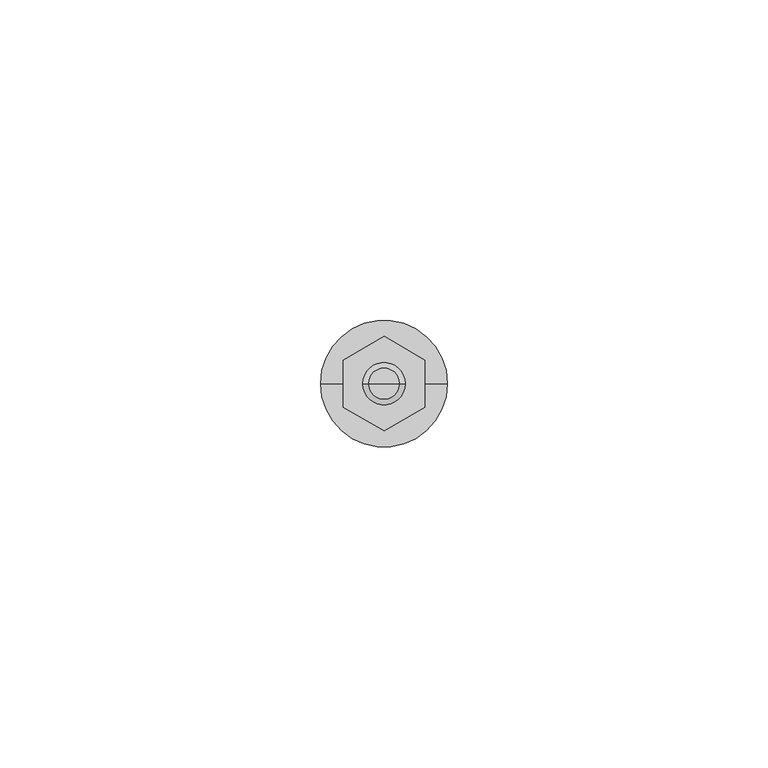
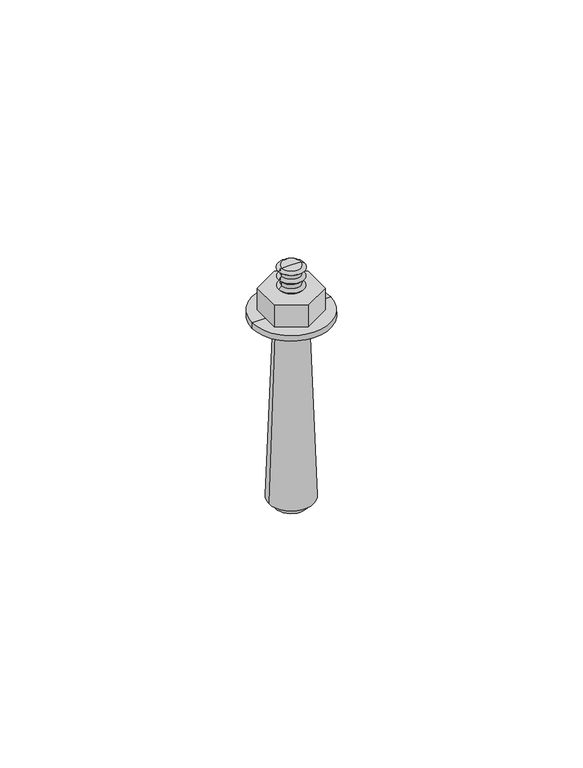
"""IFC4 building model written with IfcOpenShell, lengths in millimetres: proxy geometry."""

from ifc_helpers import new_model, si_unit, frame, origin, place, context, project, spatial, polyline, circle_curve, outline, extrude, source, transform, mapped, element, save
from ifc_brep_helpers import plane_surface, cylinder_surface, revolved_surface, advanced_brep


def generic_models_3a408e28(model_context):
    return source(origin(), model_context, "Body", "SolidModel", [
        extrude(outline(polyline([(-6.3865023, 3.6872488), (0.0, 7.3744977), (6.3865023, 3.6872488), (6.3865023, -3.6872488), (0.0, -7.3744977), (-6.3865023, -3.6872488), (-6.3865023, 3.6872488)])), frame((0.0, 0.0, 1.4240948), z_axis=(0.0, 0.0, 1.0), x_axis=(1.0, 0.0, 0.0)), (0.0, 0.0, 1.0), 5.7678376),
        advanced_brep(
        [(-4.0, 0.0, -50.0), (4.0, 0.0, -50.0), (0.0, 0.0, -50.0), (-4.0, 0.0, -48.1383526), (4.0, 0.0, -48.1383526), (-5.6487243, 0.0, -48.1383526), (5.6487243, 0.0, -48.1383526), (-3.9676959, 0.0, 0.0), (3.9676959, 0.0, 0.0), (-9.8929481, 0.0, 0.0), (9.8929481, 0.0, 0.0), (-9.8929481, 0.0, 1.4240948), (9.8929481, 0.0, 1.4240948), (0.0, 0.0, 1.4240948)],
        [
            (0, 1, circle_curve(frame((0.0, 0.0, -50.0), z_axis=(0.0, 0.0, -1.0), x_axis=(1.0, 0.0, 0.0)), 4.0)),
            (1, 2),
            (2, 0),
            (1, 0, circle_curve(frame((0.0, 0.0, -50.0), z_axis=(0.0, 0.0, -1.0), x_axis=(1.0, 0.0, 0.0)), 4.0)),
            (3, 4, circle_curve(frame((0.0, 0.0, -48.1383526), z_axis=(0.0, 0.0, -1.0), x_axis=(1.0, 0.0, 0.0)), 4.0)),
            (4, 1),
            (0, 3),
            (4, 3, circle_curve(frame((0.0, 0.0, -48.1383526), z_axis=(0.0, 0.0, -1.0), x_axis=(1.0, 0.0, 0.0)), 4.0)),
            (5, 6, circle_curve(frame((0.0, 0.0, -48.1383526), z_axis=(0.0, 0.0, -1.0), x_axis=(1.0, 0.0, 0.0)), 5.6487243)),
            (6, 4),
            (3, 5),
            (6, 5, circle_curve(frame((0.0, 0.0, -48.1383526), z_axis=(0.0, 0.0, -1.0), x_axis=(1.0, 0.0, 0.0)), 5.6487243)),
            (7, 8, circle_curve(frame((0.0, 0.0, 0.0), z_axis=(0.0, 0.0, -1.0), x_axis=(1.0, 0.0, 0.0)), 3.9676959)),
            (8, 6),
            (5, 7),
            (8, 7, circle_curve(frame((0.0, 0.0, 0.0), z_axis=(0.0, 0.0, -1.0), x_axis=(1.0, 0.0, 0.0)), 3.9676959)),
            (9, 10, circle_curve(frame((0.0, 0.0, 0.0), z_axis=(0.0, 0.0, -1.0), x_axis=(1.0, 0.0, 0.0)), 9.8929481)),
            (10, 8),
            (7, 9),
            (10, 9, circle_curve(frame((0.0, 0.0, 0.0), z_axis=(0.0, 0.0, -1.0), x_axis=(1.0, 0.0, 0.0)), 9.8929481)),
            (11, 12, circle_curve(frame((0.0, 0.0, 1.4240948), z_axis=(0.0, 0.0, -1.0), x_axis=(1.0, 0.0, 0.0)), 9.8929481)),
            (12, 10),
            (9, 11),
            (12, 11, circle_curve(frame((0.0, 0.0, 1.4240948), z_axis=(0.0, 0.0, -1.0), x_axis=(1.0, 0.0, 0.0)), 9.8929481)),
            (13, 12),
            (11, 13),
        ],
        [
            plane_surface(frame((0.0, 0.0, -50.0), z_axis=(0.0, 0.0, -1.0), x_axis=(1.0, 0.0, 0.0))),
            cylinder_surface(frame((0.0, 0.0, 15.3221183), z_axis=(0.0, 0.0, 1.0), x_axis=(1.0, 0.0, 0.0)), 4.0),
            plane_surface(frame((0.0, 0.0, -48.1383526), z_axis=(0.0, 0.0, -1.0), x_axis=(1.0, 0.0, 0.0))),
            revolved_surface(polyline([(5.6487243, 0.0, -48.1383526), (3.9676959, 0.0, 0.0)]), (0.0, 0.0, 15.3221183), (0.0, 0.0, 1.0)),
            plane_surface(frame((0.0, 0.0, 0.0), z_axis=(0.0, 0.0, -1.0), x_axis=(1.0, 0.0, 0.0))),
            cylinder_surface(frame((0.0, 0.0, 15.3221183), z_axis=(0.0, 0.0, 1.0), x_axis=(1.0, 0.0, 0.0)), 9.8929481),
            plane_surface(frame((0.0, 0.0, 1.4240948), z_axis=(0.0, 0.0, 1.0), x_axis=(1.0, 0.0, 0.0))),
        ],
        [
            (0, [[1, 2, 3]]),
            (0, [[4, -3, -2]]),
            (1, [[5, 6, -1, 7]]),
            (1, [[8, -7, -4, -6]]),
            (2, [[9, 10, -5, 11]]),
            (2, [[12, -11, -8, -10]]),
            (3, [[13, 14, -9, 15]]),
            (3, [[16, -15, -12, -14]]),
            (4, [[17, 18, -13, 19]]),
            (4, [[20, -19, -16, -18]]),
            (5, [[21, 22, -17, 23]]),
            (5, [[24, -23, -20, -22]]),
            (6, [[25, -21, 26]]),
            (6, [[-26, -24, -25]]),
        ],
    ),
        advanced_brep(
        [(-3.1619111, 0.0, 8.0346294), (3.1619111, 0.0, 8.0346294), (2.4548043, 0.0, 7.1919324), (-2.4548043, 0.0, 7.1919324), (-2.4548043, 0.0, 8.7417362), (2.4548043, 0.0, 8.7417362), (-2.4548043, 0.0, 9.8078637), (2.4548043, 0.0, 9.8078637), (-3.1619111, 0.0, 10.5149705), (3.1619111, 0.0, 10.5149705), (-2.4548043, 0.0, 11.2220773), (2.4548043, 0.0, 11.2220773), (-2.4548043, 0.0, 12.2220773), (2.4548043, 0.0, 12.2220773), (-3.2838419, 0.0, 12.8391344), (3.2838419, 0.0, 12.8391344), (-2.4548043, 0.0, 13.3983273), (2.4548043, 0.0, 13.3983273), (0.0, 0.0, 13.3983273), (0.0, 0.0, 7.1919324)],
        [
            (0, 1, circle_curve(frame((0.0, 0.0, 8.0346294), z_axis=(0.0, 0.0, -1.0), x_axis=(1.0, 0.0, 0.0)), 3.1619111)),
            (1, 2),
            (2, 3, circle_curve(frame((0.0, 0.0, 7.1919324), z_axis=(0.0, 0.0, 1.0), x_axis=(1.0, 0.0, 0.0)), 2.4548043)),
            (3, 0),
            (1, 0, circle_curve(frame((0.0, 0.0, 8.0346294), z_axis=(0.0, 0.0, -1.0), x_axis=(1.0, 0.0, 0.0)), 3.1619111)),
            (3, 2, circle_curve(frame((0.0, 0.0, 7.1919324), z_axis=(0.0, 0.0, 1.0), x_axis=(1.0, 0.0, 0.0)), 2.4548043)),
            (4, 5, circle_curve(frame((0.0, 0.0, 8.7417362), z_axis=(0.0, 0.0, -1.0), x_axis=(1.0, 0.0, 0.0)), 2.4548043)),
            (5, 1),
            (0, 4),
            (5, 4, circle_curve(frame((0.0, 0.0, 8.7417362), z_axis=(0.0, 0.0, -1.0), x_axis=(1.0, 0.0, 0.0)), 2.4548043)),
            (6, 7, circle_curve(frame((0.0, 0.0, 9.8078637), z_axis=(0.0, 0.0, -1.0), x_axis=(1.0, 0.0, 0.0)), 2.4548043)),
            (7, 5),
            (4, 6),
            (7, 6, circle_curve(frame((0.0, 0.0, 9.8078637), z_axis=(0.0, 0.0, -1.0), x_axis=(1.0, 0.0, 0.0)), 2.4548043)),
            (8, 9, circle_curve(frame((0.0, 0.0, 10.5149705), z_axis=(0.0, 0.0, -1.0), x_axis=(1.0, 0.0, 0.0)), 3.1619111)),
            (9, 7),
            (6, 8),
            (9, 8, circle_curve(frame((0.0, 0.0, 10.5149705), z_axis=(0.0, 0.0, -1.0), x_axis=(1.0, 0.0, 0.0)), 3.1619111)),
            (10, 11, circle_curve(frame((0.0, 0.0, 11.2220773), z_axis=(0.0, 0.0, -1.0), x_axis=(1.0, 0.0, 0.0)), 2.4548043)),
            (11, 9),
            (8, 10),
            (11, 10, circle_curve(frame((0.0, 0.0, 11.2220773), z_axis=(0.0, 0.0, -1.0), x_axis=(1.0, 0.0, 0.0)), 2.4548043)),
            (12, 13, circle_curve(frame((0.0, 0.0, 12.2220773), z_axis=(0.0, 0.0, -1.0), x_axis=(1.0, 0.0, 0.0)), 2.4548043)),
            (13, 11),
            (10, 12),
            (13, 12, circle_curve(frame((0.0, 0.0, 12.2220773), z_axis=(0.0, 0.0, -1.0), x_axis=(1.0, 0.0, 0.0)), 2.4548043)),
            (14, 15, circle_curve(frame((0.0, 0.0, 12.8391344), z_axis=(0.0, 0.0, -1.0), x_axis=(1.0, 0.0, 0.0)), 3.2838419)),
            (15, 13),
            (12, 14),
            (15, 14, circle_curve(frame((0.0, 0.0, 12.8391344), z_axis=(0.0, 0.0, -1.0), x_axis=(1.0, 0.0, 0.0)), 3.2838419)),
            (16, 17, circle_curve(frame((0.0, 0.0, 13.3983273), z_axis=(0.0, 0.0, -1.0), x_axis=(1.0, 0.0, 0.0)), 2.4548043)),
            (17, 15),
            (14, 16),
            (17, 16, circle_curve(frame((0.0, 0.0, 13.3983273), z_axis=(0.0, 0.0, -1.0), x_axis=(1.0, 0.0, 0.0)), 2.4548043)),
            (18, 17),
            (16, 18),
            (2, 19),
            (19, 3),
        ],
        [
            revolved_surface(polyline([(2.4548043, 0.0, 7.1919324), (3.1619111, 0.0, 8.0346294)]), (0.0, 0.0, 15.3221183), (0.0, 0.0, 1.0)),
            revolved_surface(polyline([(3.1619111, 0.0, 8.0346294), (2.4548043, 0.0, 8.7417362)]), (0.0, 0.0, 15.3221183), (0.0, 0.0, 1.0)),
            cylinder_surface(frame((0.0, 0.0, 15.3221183), z_axis=(0.0, 0.0, 1.0), x_axis=(1.0, 0.0, 0.0)), 2.4548043),
            revolved_surface(polyline([(2.4548043, 0.0, 9.8078637), (3.1619111, 0.0, 10.5149705)]), (0.0, 0.0, 15.3221183), (0.0, 0.0, 1.0)),
            revolved_surface(polyline([(3.1619111, 0.0, 10.5149705), (2.4548043, 0.0, 11.2220773)]), (0.0, 0.0, 15.3221183), (0.0, 0.0, 1.0)),
            revolved_surface(polyline([(2.4548043, 0.0, 12.2220773), (3.2838419, 0.0, 12.8391344)]), (0.0, 0.0, 15.3221183), (0.0, 0.0, 1.0)),
            revolved_surface(polyline([(3.2838419, 0.0, 12.8391344), (2.4548043, 0.0, 13.3983273)]), (0.0, 0.0, 15.3221183), (0.0, 0.0, 1.0)),
            plane_surface(frame((0.0, 0.0, 13.3983273), z_axis=(0.0, 0.0, 1.0), x_axis=(1.0, 0.0, 0.0))),
            plane_surface(frame((0.0, 0.0, 7.1919324), z_axis=(0.0, 0.0, -1.0), x_axis=(1.0, 0.0, 0.0))),
        ],
        [
            (0, [[1, 2, 3, 4]]),
            (0, [[5, -4, 6, -2]]),
            (1, [[7, 8, -1, 9]]),
            (1, [[10, -9, -5, -8]]),
            (2, [[11, 12, -7, 13]]),
            (2, [[14, -13, -10, -12]]),
            (3, [[15, 16, -11, 17]]),
            (3, [[18, -17, -14, -16]]),
            (4, [[19, 20, -15, 21]]),
            (4, [[22, -21, -18, -20]]),
            (2, [[23, 24, -19, 25]]),
            (2, [[26, -25, -22, -24]]),
            (5, [[27, 28, -23, 29]]),
            (5, [[30, -29, -26, -28]]),
            (6, [[31, 32, -27, 33]]),
            (6, [[34, -33, -30, -32]]),
            (7, [[35, -31, 36]]),
            (7, [[-36, -34, -35]]),
            (8, [[-3, 37, 38]]),
            (8, [[-6, -38, -37]]),
        ],
    ),
    ])


if __name__ == "__main__":
    model = new_model("IFC4")
    model_context = context("Model", 3, world=origin())
    ifc_project = project(units=[si_unit("LENGTHUNIT", "METRE", prefix="MILLI")], contexts=[model_context])
    site = spatial("IfcSite", under=ifc_project)
    building = spatial("IfcBuilding", under=site)
    placement = place(None, origin())
    generic_models_shape = generic_models_3a408e28(model_context)
    element("IfcBuildingElementProxy", 1, Name="Generic Models", at=placement, inside=building, context=model_context, shape_type="MappedRepresentation", body=[
        mapped(generic_models_shape, transform((0.0, 0.0, 0.0), x_axis=(1.0, 0.0, 0.0), y_axis=(0.0, 1.0, 0.0), z_axis=(0.0, 0.0, 1.0))),
    ])
    save(model, "model.ifc")
